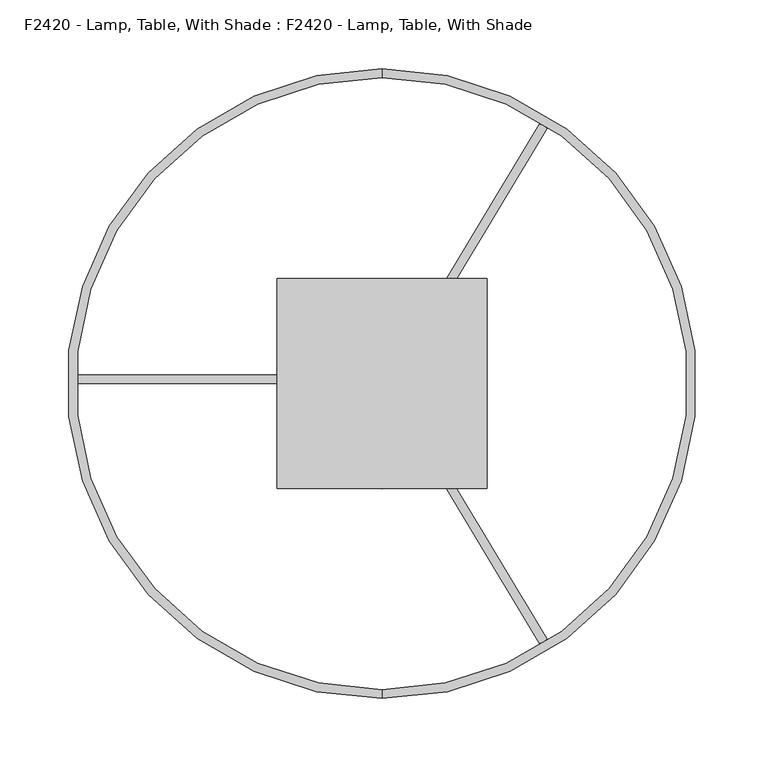
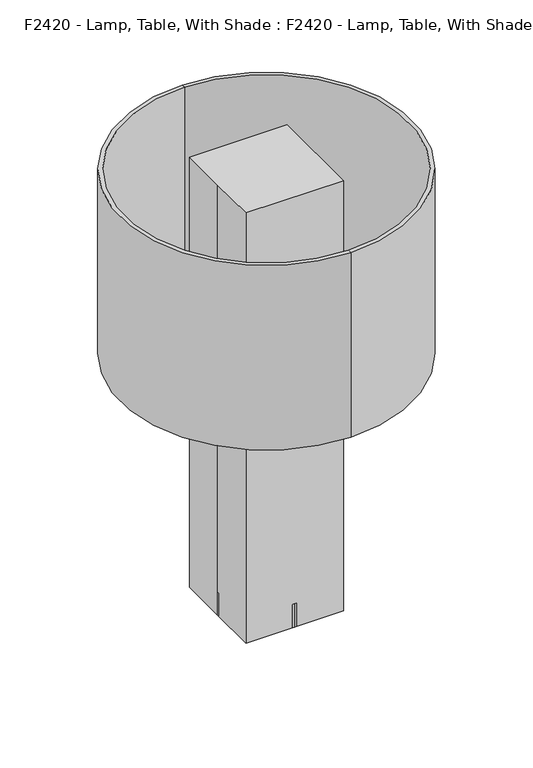
"""IFC4 building model written with IfcOpenShell, lengths in millimetres: proxy geometry, F2420 - Lamp, Table, With Shade : F2420 - Lamp, Table, With Shade."""

from ifc_helpers import new_model, si_unit, point, frame, frame_2d, origin, origin_with_axes, place, context, project, spatial, polyline, circle_curve, ellipse_curve, trimmed, segment, composite_curve, outline, extrude, source, transform, mapped, element, save
from ifc_brep_helpers import plane_surface, cylinder_surface, revolved_surface, advanced_brep


def f2420_lamp_table_with_shade_f2420_lamp_table_with_shade_198ff228(model_context):
    return source(origin(), model_context, "Body", "SolidModel", [
        extrude(outline(composite_curve([segment(trimmed(circle_curve(frame_2d((112.7651926, 179.9675314)), 8.6265279), [point((114.1748041, 188.4781117))], [point((119.6178165, 185.2076199))], False, "CARTESIAN"), True, "CONTINUOUS"), segment(polyline([(119.6178165, 185.2076199), (18.3833354, 16.7251502)]), True, "CONTINUOUS"), segment(trimmed(circle_curve(frame_2d((6.6305332, 9.5999352)), 13.7439822), [point((18.3833354, 16.7251502))], [point((13.7557482, 21.3527373))], True, "CARTESIAN"), True, "CONTINUOUS"), segment(polyline([(13.7557482, 21.3527373), (114.1748041, 188.4781117)]), True, "CONTINUOUS")], self_intersect=False)), frame((0.0, 0.0, 546.1), z_axis=(0.0, 0.0, 1.0), x_axis=(1.0, 0.0, 0.0)), (0.0, 0.0, 1.0), 6.35),
        extrude(outline(composite_curve([segment(polyline([(114.1748041, -188.4781117), (13.7557482, -21.3527373)]), True, "CONTINUOUS"), segment(trimmed(circle_curve(frame_2d((6.6305332, -9.5999352)), 13.7439822), [point((13.7557482, -21.3527373))], [point((18.3833354, -16.7251502))], True, "CARTESIAN"), True, "CONTINUOUS"), segment(polyline([(18.3833354, -16.7251502), (119.6178165, -185.2076199)]), True, "CONTINUOUS"), segment(trimmed(circle_curve(frame_2d((112.7651926, -179.9675314)), 8.6265279), [point((119.6178165, -185.2076199))], [point((114.1748041, -188.4781117))], False, "CARTESIAN"), True, "CONTINUOUS")], self_intersect=False)), frame((0.0, 0.0, 546.1), z_axis=(0.0, 0.0, 1.0), x_axis=(1.0, 0.0, 0.0)), (0.0, 0.0, 1.0), 6.35),
        extrude(outline(composite_curve([segment(trimmed(circle_curve(frame_2d((-217.8006717, 2.2107608)), 4.9682981), [point((-222.25, 0.0))], [point((-220.5485226, 6.35))], False, "CARTESIAN"), True, "CONTINUOUS"), segment(polyline([(-220.5485226, 6.35), (-24.5934442, 6.35)]), True, "CONTINUOUS"), segment(trimmed(circle_curve(frame_2d((-15.109772, 3.175)), 10.0010332), [point((-24.5934442, 6.35))], [point((-24.5934442, 0.0))], True, "CARTESIAN"), True, "CONTINUOUS"), segment(polyline([(-24.5934442, 0.0), (-222.25, 0.0)]), True, "CONTINUOUS")], self_intersect=False)), frame((0.0, 0.0, 546.1), z_axis=(0.0, 0.0, 1.0), x_axis=(1.0, 0.0, 0.0)), (0.0, 0.0, 1.0), 6.35),
        advanced_brep(
        [(0.0, 76.2, 38.1), (0.0, 76.2, 0.0), (0.0, -76.2, 0.0), (0.0, -76.2, 38.1), (0.0, 38.1, 38.1), (0.0, -38.1, 38.1), (0.0, 38.1, 342.9), (0.0, -38.1, 342.9), (0.0, 25.4, 342.9), (0.0, -25.4, 342.9), (0.0, 25.4, 566.3974415), (0.0, -25.4, 566.3974415), (0.0, 0.0, 566.3974415), (0.0, 0.0, 0.0)],
        [
            (0, 1),
            (1, 2, circle_curve(frame((0.0, 0.0, 0.0), z_axis=(0.0, 0.0, 1.0), x_axis=(0.0, -1.0, 0.0)), 76.2)),
            (2, 3),
            (3, 0, circle_curve(frame((0.0, 0.0, 38.1), z_axis=(0.0, 0.0, -1.0), x_axis=(0.0, -1.0, 0.0)), 76.2)),
            (2, 1, circle_curve(frame((0.0, 0.0, 0.0), z_axis=(0.0, 0.0, 1.0), x_axis=(0.0, -1.0, 0.0)), 76.2)),
            (0, 3, circle_curve(frame((0.0, 0.0, 38.1), z_axis=(0.0, 0.0, -1.0), x_axis=(0.0, -1.0, 0.0)), 76.2)),
            (4, 0),
            (3, 5),
            (5, 4, circle_curve(frame((0.0, 0.0, 38.1), z_axis=(0.0, 0.0, -1.0), x_axis=(0.0, -1.0, 0.0)), 38.1)),
            (4, 5, circle_curve(frame((0.0, 0.0, 38.1), z_axis=(0.0, 0.0, -1.0), x_axis=(0.0, -1.0, 0.0)), 38.1)),
            (6, 4, circle_curve(frame((0.0, -531.1639762, 190.5), z_axis=(-1.0, 0.0, 0.0), x_axis=(0.0, 1.0, 0.0)), 589.3108132)),
            (5, 7, circle_curve(frame((0.0, 531.1639762, 190.5), z_axis=(-1.0, 0.0, 0.0), x_axis=(0.0, -1.0, 0.0)), 589.3108132)),
            (7, 6, circle_curve(frame((0.0, 0.0, 342.9), z_axis=(0.0, 0.0, -1.0), x_axis=(0.0, -1.0, 0.0)), 38.1)),
            (6, 7, circle_curve(frame((0.0, 0.0, 342.9), z_axis=(0.0, 0.0, -1.0), x_axis=(0.0, -1.0, 0.0)), 38.1)),
            (8, 6),
            (7, 9),
            (9, 8, circle_curve(frame((0.0, 0.0, 342.9), z_axis=(0.0, 0.0, -1.0), x_axis=(0.0, -1.0, 0.0)), 25.4)),
            (8, 9, circle_curve(frame((0.0, 0.0, 342.9), z_axis=(0.0, 0.0, -1.0), x_axis=(0.0, -1.0, 0.0)), 25.4)),
            (10, 8),
            (9, 11),
            (11, 10, circle_curve(frame((0.0, 0.0, 566.3974415), z_axis=(0.0, 0.0, -1.0), x_axis=(0.0, -1.0, 0.0)), 25.4)),
            (10, 11, circle_curve(frame((0.0, 0.0, 566.3974415), z_axis=(0.0, 0.0, -1.0), x_axis=(0.0, -1.0, 0.0)), 25.4)),
            (12, 10),
            (11, 12),
            (1, 13),
            (13, 2),
        ],
        [
            cylinder_surface(frame((0.0, 0.0, 469.9), z_axis=(0.0, 0.0, 1.0), x_axis=(0.0, -1.0, 0.0)), 76.2),
            plane_surface(frame((0.0, 0.0, 38.1), z_axis=(0.0, 0.0, 1.0), x_axis=(0.0, -1.0, 0.0))),
            revolved_surface(trimmed(ellipse_curve(frame((0.0, 531.1639762, 190.5), z_axis=(-1.0, 0.0, 0.0), x_axis=(0.0, -1.0, 0.0)), 589.3108132, 589.3108132), [point((0.0, -38.1, 38.1))], [point((0.0, -38.1, 342.9))], True, "CARTESIAN"), (0.0, 0.0, 469.9), (0.0, 0.0, 1.0)),
            plane_surface(frame((0.0, 0.0, 342.9), z_axis=(0.0, 0.0, 1.0), x_axis=(0.0, -1.0, 0.0))),
            cylinder_surface(frame((0.0, 0.0, 469.9), z_axis=(0.0, 0.0, 1.0), x_axis=(0.0, -1.0, 0.0)), 25.4),
            plane_surface(frame((0.0, 0.0, 566.3974415), z_axis=(0.0, 0.0, 1.0), x_axis=(0.0, -1.0, 0.0))),
            plane_surface(frame((0.0, 0.0, 0.0), z_axis=(0.0, 0.0, -1.0), x_axis=(0.0, -1.0, 0.0))),
        ],
        [
            (0, [[1, 2, 3, 4]]),
            (0, [[-3, 5, -1, 6]]),
            (1, [[7, -4, 8, 9]]),
            (1, [[-8, -6, -7, 10]]),
            (2, [[11, -9, 12, 13]]),
            (2, [[-12, -10, -11, 14]]),
            (3, [[15, -13, 16, 17]]),
            (3, [[-16, -14, -15, 18]]),
            (4, [[19, -17, 20, 21]]),
            (4, [[-20, -18, -19, 22]]),
            (5, [[23, -21, 24]]),
            (5, [[-24, -22, -23]]),
            (6, [[25, 26, -2]]),
            (6, [[-26, -25, -5]]),
        ],
    ),
        advanced_brep(
        [(0.0, 222.25, 406.4), (0.0, 222.25, 711.2), (0.0, -222.25, 711.2), (0.0, -222.25, 406.4), (0.0, 228.6, 406.4), (0.0, -228.6, 406.4), (0.0, 228.6, 711.2), (0.0, -228.6, 711.2)],
        [
            (0, 1),
            (1, 2, circle_curve(frame((0.0, 0.0, 711.2), z_axis=(0.0, 0.0, 1.0), x_axis=(0.0, -1.0, 0.0)), 222.25)),
            (2, 3),
            (3, 0, circle_curve(frame((0.0, 0.0, 406.4), z_axis=(0.0, 0.0, -1.0), x_axis=(0.0, -1.0, 0.0)), 222.25)),
            (2, 1, circle_curve(frame((0.0, 0.0, 711.2), z_axis=(0.0, 0.0, 1.0), x_axis=(0.0, -1.0, 0.0)), 222.25)),
            (0, 3, circle_curve(frame((0.0, 0.0, 406.4), z_axis=(0.0, 0.0, -1.0), x_axis=(0.0, -1.0, 0.0)), 222.25)),
            (4, 0),
            (3, 5),
            (5, 4, circle_curve(frame((0.0, 0.0, 406.4), z_axis=(0.0, 0.0, -1.0), x_axis=(0.0, -1.0, 0.0)), 228.6)),
            (4, 5, circle_curve(frame((0.0, 0.0, 406.4), z_axis=(0.0, 0.0, -1.0), x_axis=(0.0, -1.0, 0.0)), 228.6)),
            (6, 4),
            (5, 7),
            (7, 6, circle_curve(frame((0.0, 0.0, 711.2), z_axis=(0.0, 0.0, -1.0), x_axis=(0.0, -1.0, 0.0)), 228.6)),
            (6, 7, circle_curve(frame((0.0, 0.0, 711.2), z_axis=(0.0, 0.0, -1.0), x_axis=(0.0, -1.0, 0.0)), 228.6)),
            (1, 6),
            (7, 2),
        ],
        [
            revolved_surface(polyline([(0.0, -222.25, 711.2), (0.0, -222.25, 406.4)]), (0.0, 0.0, 711.2), (0.0, 0.0, 1.0)),
            plane_surface(frame((0.0, 0.0, 406.4), z_axis=(0.0, 0.0, -1.0), x_axis=(0.0, -1.0, 0.0))),
            cylinder_surface(frame((0.0, 0.0, 711.2), z_axis=(0.0, 0.0, 1.0), x_axis=(0.0, -1.0, 0.0)), 228.6),
            plane_surface(frame((0.0, 0.0, 711.2), z_axis=(0.0, 0.0, 1.0), x_axis=(0.0, -1.0, 0.0))),
        ],
        [
            (0, [[1, 2, 3, 4]]),
            (0, [[-3, 5, -1, 6]]),
            (1, [[7, -4, 8, 9]]),
            (1, [[-8, -6, -7, 10]]),
            (2, [[11, -9, 12, 13]]),
            (2, [[-12, -10, -11, 14]]),
            (3, [[15, -13, 16, -2]]),
            (3, [[-16, -14, -15, -5]]),
        ],
    ),
        extrude(outline(polyline([(-76.2, -76.2), (-76.2, 0.0), (-76.2, 76.2), (76.2, 76.2), (76.2, -76.2), (-76.2, -76.2)])), origin_with_axes(), (0.0, 0.0, 1.0), 711.2),
    ])


if __name__ == "__main__":
    model = new_model("IFC4")
    model_context = context("Model", 3, world=origin())
    ifc_project = project(units=[si_unit("LENGTHUNIT", "METRE", prefix="MILLI")], contexts=[model_context])
    site = spatial("IfcSite", under=ifc_project)
    building = spatial("IfcBuilding", under=site)
    placement = place(None, origin())
    f2420_lamp_table_with_shade_f2420_lamp_table_with_shade_shape = f2420_lamp_table_with_shade_f2420_lamp_table_with_shade_198ff228(model_context)
    element("IfcBuildingElementProxy", 1, Name="F2420 - Lamp, Table, With Shade : F2420 - Lamp, Table, With Shade", ObjectType="F2420 - Lamp, Table, With Shade : F2420 - Lamp, Table, With Shade", at=placement, inside=building, context=model_context, shape_type="MappedRepresentation", body=[
        mapped(f2420_lamp_table_with_shade_f2420_lamp_table_with_shade_shape, transform((0.0, 0.0, 0.0), x_axis=(1.0, 0.0, 0.0), y_axis=(0.0, 1.0, 0.0), z_axis=(0.0, 0.0, 1.0))),
    ])
    save(model, "model.ifc")
